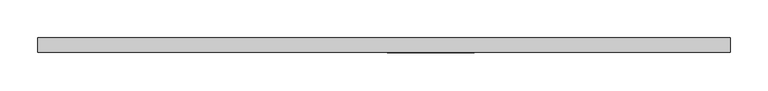
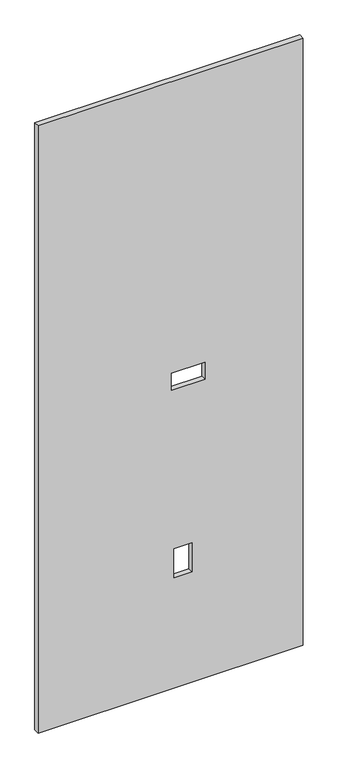
"""IFC4 building model written with IfcOpenShell, lengths in millimetres: proxy geometry."""

from ifc_helpers import new_model, si_unit, frame, origin, place, context, project, spatial, polyline, outline, extrude, source, transform, mapped, element, save


def specialty_equipment_0073e55a(model_context):
    return source(origin(), model_context, "Body", "SweptSolid", [
        extrude(outline(polyline([(2206.625, 455.4056163), (2206.625, -455.4056163), (3.175, -455.4056163), (3.175, 455.4056163), (2206.625, 455.4056163)]), holes=[polyline([(509.0668, 74.295), (402.3868, 74.295), (402.3868, 12.065), (509.0668, 12.065), (509.0668, 74.295)]), polyline([(1148.715, 118.872), (1086.485, 118.872), (1086.485, 4.064), (1148.715, 4.064), (1148.715, 118.872)])]), frame((0.0, -9.525, 0.0), z_axis=(0.0, 1.0, 0.0), x_axis=(0.0, 0.0, 1.0)), (0.0, 0.0, 1.0), 19.05),
    ])


if __name__ == "__main__":
    model = new_model("IFC4")
    model_context = context("Model", 3, world=origin())
    ifc_project = project(units=[si_unit("LENGTHUNIT", "METRE", prefix="MILLI")], contexts=[model_context])
    site = spatial("IfcSite", under=ifc_project)
    building = spatial("IfcBuilding", under=site)
    placement = place(None, origin())
    specialty_equipment_shape = specialty_equipment_0073e55a(model_context)
    element("IfcBuildingElementProxy", 1, Name="Specialty Equipment", at=placement, inside=building, context=model_context, shape_type="MappedRepresentation", body=[
        mapped(specialty_equipment_shape, transform((0.0, 0.0, 0.0), x_axis=(1.0, 0.0, 0.0), y_axis=(0.0, 1.0, 0.0), z_axis=(0.0, 0.0, 1.0))),
    ])
    save(model, "model.ifc")
